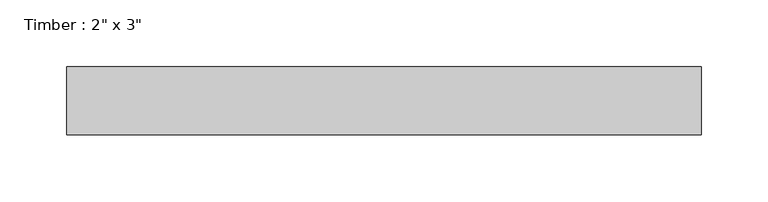
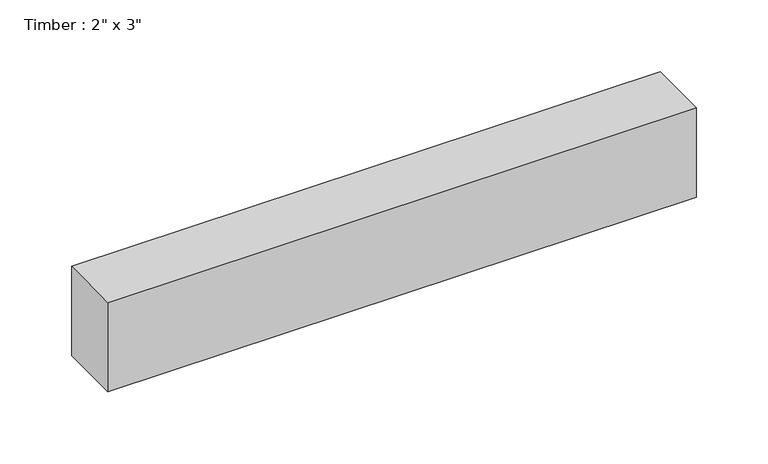
"""IFC4 building model written with IfcOpenShell, lengths in millimetres: beam geometry."""

from ifc_helpers import new_model, si_unit, frame, origin, place, context, project, spatial, polyline, outline, extrude, source, transform, mapped, element, save


def beam_fc18d0f3(model_context):
    return source(origin(), model_context, "Body", "SweptSolid", [
        extrude(outline(polyline([(237.3166776, -25.4), (-237.3166776, -25.4), (-237.3166776, 25.4), (237.3166776, 25.4), (237.3166776, -25.4)])), frame((0.0, 0.0, -38.1), z_axis=(0.0, 0.0, 1.0), x_axis=(1.0, 0.0, 0.0)), (0.0, 0.0, 1.0), 76.2),
    ])


if __name__ == "__main__":
    model = new_model("IFC4")
    model_context = context("Model", 3, world=origin())
    ifc_project = project(units=[si_unit("LENGTHUNIT", "METRE", prefix="MILLI")], contexts=[model_context])
    site = spatial("IfcSite", under=ifc_project)
    building = spatial("IfcBuilding", under=site)
    placement = place(None, origin())
    beam_shape = beam_fc18d0f3(model_context)
    element("IfcBeam", 1, ObjectType="Timber : 2\" x 3\"", at=placement, inside=building, context=model_context, shape_type="MappedRepresentation", body=[
        mapped(beam_shape, transform((0.0, 0.0, 0.0), x_axis=(1.0, 0.0, 0.0), y_axis=(0.0, 1.0, 0.0), z_axis=(0.0, 0.0, 1.0))),
    ])
    save(model, "model.ifc")
